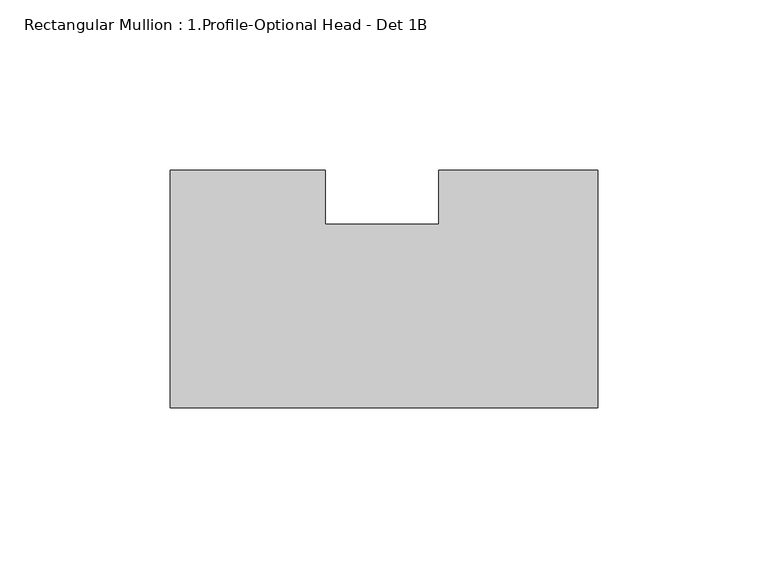
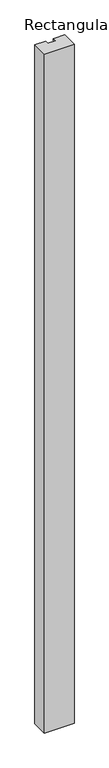
"""IFC4 building model written with IfcOpenShell, lengths in millimetres: member geometry, Rectangular Mullion : 1.Profile-Optional Head - Det 1B."""

from ifc_helpers import new_model, si_unit, frame, origin, place, context, project, spatial, polyline, outline, extrude, source, transform, mapped, element, save


def rectangular_mullion_1_profile_optional_head_det_1b_228bdce0(model_context):
    return source(origin(), model_context, "Body", "SweptSolid", [
        extrude(outline(polyline([(0.0, 34.925), (0.0, -34.925), (-125.7808, -34.925), (-125.7808, 34.925), (-80.20749, 34.925), (-80.20749, 19.05), (-46.8444686, 19.05), (-46.8444686, 34.925), (0.0, 34.925)])), frame((0.0, 0.0, -3048.0), z_axis=(0.0, 0.0, 1.0), x_axis=(1.0, 0.0, 0.0)), (0.0, 0.0, 1.0), 3048.0),
    ])


if __name__ == "__main__":
    model = new_model("IFC4")
    model_context = context("Model", 3, world=origin())
    ifc_project = project(units=[si_unit("LENGTHUNIT", "METRE", prefix="MILLI")], contexts=[model_context])
    site = spatial("IfcSite", under=ifc_project)
    building = spatial("IfcBuilding", under=site)
    placement = place(None, origin())
    rectangular_mullion_1_profile_optional_head_det_1b_shape = rectangular_mullion_1_profile_optional_head_det_1b_228bdce0(model_context)
    element("IfcMember", 1, ObjectType="Rectangular Mullion : 1.Profile-Optional Head - Det 1B", at=placement, inside=building, context=model_context, shape_type="MappedRepresentation", body=[
        mapped(rectangular_mullion_1_profile_optional_head_det_1b_shape, transform((0.0, 0.0, 0.0), x_axis=(1.0, 0.0, 0.0), y_axis=(0.0, 1.0, 0.0), z_axis=(0.0, 0.0, 1.0))),
    ])
    save(model, "model.ifc")
